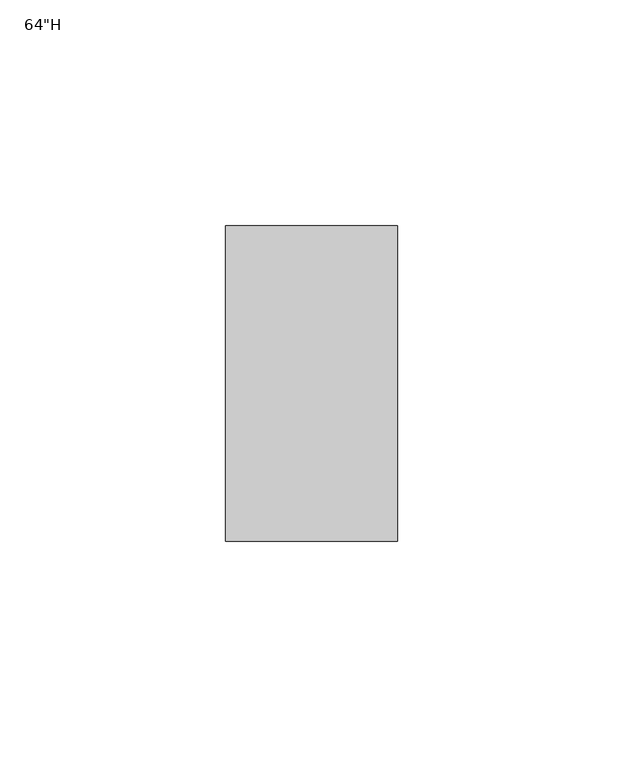
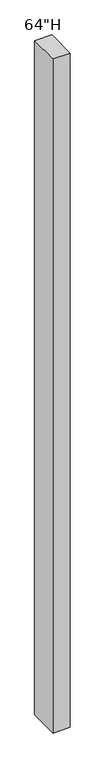
"""IFC4 building model written with IfcOpenShell, lengths in millimetres: furniture geometry."""

from ifc_helpers import new_model, si_unit, frame, origin, place, context, project, spatial, polyline, outline, extrude, source, transform, mapped, element, save


def furniture_33f4715a(model_context):
    return source(origin(), model_context, "Body", "SweptSolid", [
        extrude(outline(polyline([(-19.05, 25.4), (19.05, 25.4), (19.05, -44.45), (-19.05, -44.45), (-19.05, 25.4)])), frame((0.0, 0.0, 544.8606387), z_axis=(0.0, 0.0, 1.0), x_axis=(1.0, 0.0, 0.0)), (0.0, 0.0, 1.0), 1572.7164063),
    ])


if __name__ == "__main__":
    model = new_model("IFC4")
    model_context = context("Model", 3, world=origin())
    ifc_project = project(units=[si_unit("LENGTHUNIT", "METRE", prefix="MILLI")], contexts=[model_context])
    site = spatial("IfcSite", under=ifc_project)
    building = spatial("IfcBuilding", under=site)
    placement = place(None, origin())
    furniture_shape = furniture_33f4715a(model_context)
    element("IfcFurniture", 1, ObjectType="64\"H", at=placement, inside=building, context=model_context, shape_type="MappedRepresentation", body=[
        mapped(furniture_shape, transform((0.0, 0.0, 0.0), x_axis=(1.0, 0.0, 0.0), y_axis=(0.0, 1.0, 0.0), z_axis=(0.0, 0.0, 1.0))),
    ])
    save(model, "model.ifc")
